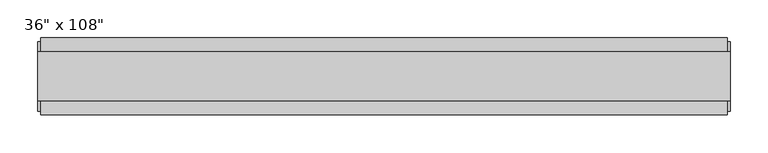
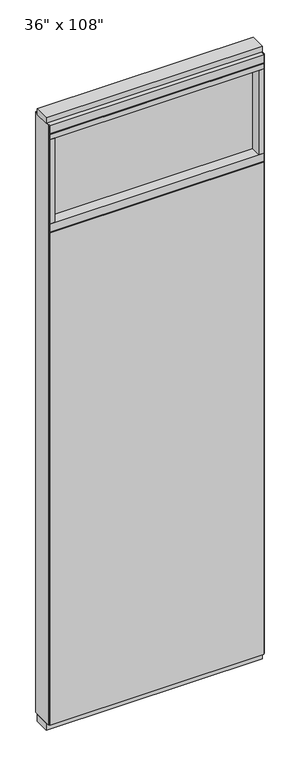
"""IFC4 building model written with IfcOpenShell, lengths in millimetres: furniture geometry."""

import ifcopenshell
import ifcopenshell.guid

model = None  # the IFC model being written
_history = None  # IfcOwnerHistory: only IFC2X3 demands one
_inside = {}  # id of a spatial element -> (the spatial element, [elements in it])
_under = {}  # id of a project, library or spatial element -> (it, [spatial elements below it])
_declared = {}  # id of a project -> (the project, [libraries it declares])
_typed = {}  # id of a type object -> (the type object, [elements of that type])
_made_of = {}  # id of a material, layer set ... -> (it, [elements and type objects made of it])


def new_model(schema):
    """Start an empty IFC model of exactly this schema.

    Asked for "IFC4X3", IfcOpenShell would pick the latest addendum, in which some entities
    have other attributes; the version numbers below select the first issue.
    IFC2X3 requires an IfcOwnerHistory on every rooted entity: one is made here for all.
    """
    global model, _history
    if schema == "IFC4X3":
        model = ifcopenshell.file(schema_version=(4, 3, 0, 0))
    else:
        model = ifcopenshell.file(schema=schema)
    _inside.clear()
    _under.clear()
    _declared.clear()
    _typed.clear()
    _made_of.clear()
    _history = None
    if model.schema == "IFC2X3":
        org = make("IfcOrganization", Name="unknown")
        user = make(
            "IfcPersonAndOrganization",
            ThePerson=make("IfcPerson", FamilyName="unknown"),
            TheOrganization=org,
        )
        app = make(
            "IfcApplication",
            ApplicationDeveloper=org,
            Version="unknown",
            ApplicationFullName="unknown",
            ApplicationIdentifier="unknown",
        )
        _history = make(
            "IfcOwnerHistory",
            OwningUser=user,
            OwningApplication=app,
            ChangeAction="ADDED",
            CreationDate=0,
        )
    return model


def make(cls, **values):
    """One entity of the class cls with the attributes given. An attribute that is None is left unset."""
    return model.create_entity(
        cls, **{name: value for name, value in values.items() if value is not None}
    )


def rooted(cls, **values):
    """An entity with a GlobalId (a new one), such as an element, a storey or a relation."""
    return make(cls, GlobalId=ifcopenshell.guid.new(), OwnerHistory=_history, **values)


def si_unit(unit_type, name, prefix=None):
    """IfcSIUnit, for example si_unit("LENGTHUNIT", "METRE", prefix="MILLI")."""
    return make("IfcSIUnit", UnitType=unit_type, Prefix=prefix, Name=name)


def assignment(units):
    """IfcUnitAssignment: the units of a project."""
    return None if units is None else make("IfcUnitAssignment", Units=units)


def point(xyz):
    """IfcCartesianPoint."""
    return None if xyz is None else make("IfcCartesianPoint", Coordinates=xyz)


def direction(xyz):
    """IfcDirection."""
    return None if xyz is None else make("IfcDirection", DirectionRatios=xyz)


def frame(location, z_axis=None, x_axis=None):
    """IfcAxis2Placement3D, a coordinate frame: its origin and axes. An axis left out is left unset."""
    return make(
        "IfcAxis2Placement3D",
        Location=point(location),
        Axis=direction(z_axis),
        RefDirection=direction(x_axis),
    )


def origin():
    """The frame at (0, 0, 0) with its axes left unset."""
    return frame((0.0, 0.0, 0.0))


def origin_with_axes():
    """The frame at (0, 0, 0) with the z axis (0, 0, 1) and the x axis (1, 0, 0) written out."""
    return frame((0.0, 0.0, 0.0), z_axis=(0.0, 0.0, 1.0), x_axis=(1.0, 0.0, 0.0))


def place(relative_to, where):
    """IfcLocalPlacement: puts the frame where relative to a parent placement (None: the world)."""
    return make(
        "IfcLocalPlacement", PlacementRelTo=relative_to, RelativePlacement=where
    )


def context(
    kind, dimensions, precision=None, world=None, true_north=None, identifier=None
):
    """IfcGeometricRepresentationContext, for example the 3D "Model" context."""
    return make(
        "IfcGeometricRepresentationContext",
        ContextIdentifier=identifier,
        ContextType=kind,
        CoordinateSpaceDimension=dimensions,
        Precision=precision,
        WorldCoordinateSystem=world,
        TrueNorth=true_north,
    )


def project(units=None, contexts=None):
    """IfcProject with its units and contexts."""
    return rooted(
        "IfcProject",
        Name="project",
        RepresentationContexts=contexts,
        UnitsInContext=assignment(units),
    )


def spatial(cls, under=None, at=None, **own):
    """A site, building, storey or space (cls), placed at a placement, below another one or the project."""
    s = rooted(cls, ObjectPlacement=at, **own)
    if under is not None:
        _under.setdefault(under.id(), (under, []))[1].append(s)
    return s


def polyline(points):
    """IfcPolyline through the points."""
    return make("IfcPolyline", Points=[point(p) for p in points])


def outline(outer, holes=None, kind="AREA"):
    """IfcArbitraryClosedProfileDef: a profile drawn as a closed curve; with holes, ...WithVoids."""
    if holes is None:
        return make("IfcArbitraryClosedProfileDef", ProfileType=kind, OuterCurve=outer)
    return make(
        "IfcArbitraryProfileDefWithVoids",
        ProfileType=kind,
        OuterCurve=outer,
        InnerCurves=holes,
    )


def extrude(swept, where, along, depth):
    """IfcExtrudedAreaSolid: the profile swept, set in the frame where, extruded along a direction by depth."""
    return make(
        "IfcExtrudedAreaSolid",
        SweptArea=swept,
        Position=where,
        ExtrudedDirection=direction(along),
        Depth=depth,
    )


def shape(context_of_items, identifier, shape_type, items):
    """IfcShapeRepresentation: the items that make up one representation, for example the "Body"."""
    return make(
        "IfcShapeRepresentation",
        ContextOfItems=context_of_items,
        RepresentationIdentifier=identifier,
        RepresentationType=shape_type,
        Items=items,
    )


def source(mapping_origin, context_of_items, identifier, shape_type, items):
    """IfcRepresentationMap: a shape defined once, which mapped items show again and again."""
    return make(
        "IfcRepresentationMap",
        MappingOrigin=mapping_origin,
        MappedRepresentation=shape(context_of_items, identifier, shape_type, items),
    )


def transform(
    local_origin,
    x_axis=None,
    y_axis=None,
    z_axis=None,
    scale=None,
    scale2=None,
    scale3=None,
    uniform=True,
):
    """IfcCartesianTransformationOperator3D, or its non-uniform kind. x_axis, y_axis, z_axis: its Axis1, 2, 3."""
    if uniform:
        return make(
            "IfcCartesianTransformationOperator3D",
            Axis1=direction(x_axis),
            Axis2=direction(y_axis),
            LocalOrigin=point(local_origin),
            Scale=scale,
            Axis3=direction(z_axis),
        )
    return make(
        "IfcCartesianTransformationOperator3DnonUniform",
        Axis1=direction(x_axis),
        Axis2=direction(y_axis),
        LocalOrigin=point(local_origin),
        Scale=scale,
        Axis3=direction(z_axis),
        Scale2=scale2,
        Scale3=scale3,
    )


def mapped(mapping_source, mapping_target):
    """IfcMappedItem: shows the shape of a source again, moved by a transform."""
    return make(
        "IfcMappedItem", MappingSource=mapping_source, MappingTarget=mapping_target
    )


def made_of(thing, what):
    """Note that an element or type object is made of a material, layer set ...; save() writes the relation."""
    if what is not None:
        _made_of.setdefault(what.id(), (what, []))[1].append(thing)
    return thing


def element(
    cls,
    number,
    at=None,
    inside=None,
    cuts=None,
    type_object=None,
    material=None,
    context=None,
    identifier="Body",
    shape_type=None,
    held_by="IfcProductDefinitionShape",
    body=None,
    shapes=None,
    **own,
):
    """One element of the class cls, such as IfcWall. Its Tag is "e" and its number.

    at: its placement. inside: the storey or other place that contains it. cuts: it is an
    opening in that element (IfcRelVoidsElement). A single representation is given by context,
    identifier, shape_type and body (its items); several are given by shapes. held_by: the class
    of the entity that holds the representations. save() writes the other relations.
    """
    e = rooted(cls, Tag="e%d" % number, ObjectPlacement=at, **own)
    if body is not None:
        shapes = [shape(context, identifier, shape_type, body)]
    if shapes is not None:
        e.Representation = make(held_by, Representations=shapes)
    if inside is not None:
        _inside.setdefault(inside.id(), (inside, []))[1].append(e)
    if cuts is not None:
        rooted(
            "IfcRelVoidsElement", RelatingBuildingElement=cuts, RelatedOpeningElement=e
        )
    if type_object is not None:
        _typed.setdefault(type_object.id(), (type_object, []))[1].append(e)
    return made_of(e, material)


def aggregate(whole, parts):
    """IfcRelAggregates: a whole, such as a stair, and the parts it consists of."""
    return rooted("IfcRelAggregates", RelatingObject=whole, RelatedObjects=parts)


def save(model, path):
    """Write the relations noted so far, then the file.

    IfcRelAggregates (storeys below a building ...), IfcRelContainedInSpatialStructure (elements
    in a storey), IfcRelDefinesByType, IfcRelAssociatesMaterial and IfcRelDeclares: one each for
    every whole, place, type object, material and project.
    """
    for whole, parts in _under.values():
        aggregate(whole, parts)
    for where, things in _inside.values():
        rooted(
            "IfcRelContainedInSpatialStructure",
            RelatedElements=things,
            RelatingStructure=where,
        )
    for kind, things in _typed.values():
        rooted("IfcRelDefinesByType", RelatedObjects=things, RelatingType=kind)
    for what, things in _made_of.values():
        rooted("IfcRelAssociatesMaterial", RelatedObjects=things, RelatingMaterial=what)
    for by, libraries in _declared.values():
        rooted("IfcRelDeclares", RelatingContext=by, RelatedDefinitions=libraries)
    model.write(path)


def furniture_3e3d7bb3(model_context):
    return source(origin(), model_context, "Body", "SweptSolid", [
        extrude(outline(polyline([(393.2264771, 46.2822784), (393.2264771, 33.5822784), (-513.2995229, 33.5822784), (-513.2995229, 46.2822784), (393.2264771, 46.2822784)])), frame((0.0, 0.0, 31.75), z_axis=(0.0, 0.0, 1.0), x_axis=(1.0, 0.0, 0.0)), (0.0, 0.0, 1.0), 2203.45),
        extrude(outline(polyline([(393.2264771, -55.3177216), (-513.2995229, -55.3177216), (-513.2995229, -42.6177216), (393.2264771, -42.6177216), (393.2264771, -55.3177216)])), frame((0.0, 0.0, 31.75), z_axis=(0.0, 0.0, 1.0), x_axis=(1.0, 0.0, 0.0)), (0.0, 0.0, 1.0), 2203.45),
        extrude(outline(polyline([(371.0014771, -9.5977216), (-491.0745229, -9.5977216), (-491.0745229, 0.5622784), (371.0014771, 0.5622784), (371.0014771, -9.5977216)])), frame((0.0, 0.0, 2276.475), z_axis=(0.0, 0.0, 1.0), x_axis=(1.0, 0.0, 0.0)), (0.0, 0.0, 1.0), 377.825),
        extrude(outline(polyline([(371.0014771, -55.3177216), (371.0014771, 46.2822784), (393.2264771, 46.2822784), (393.2264771, -55.3177216), (371.0014771, -55.3177216)])), frame((0.0, 0.0, 2276.475), z_axis=(0.0, 0.0, 1.0), x_axis=(1.0, 0.0, 0.0)), (0.0, 0.0, 1.0), 377.825),
        extrude(outline(polyline([(-55.3177216, 2240.153), (-55.3177216, 2276.475), (46.2822784, 2276.475), (46.2822784, 2240.153), (41.3292784, 2240.153), (41.3292784, 2235.2), (-50.3647216, 2235.2), (-50.3647216, 2240.153), (-55.3177216, 2240.153)])), frame((-513.2995229, 0.0, 0.0), z_axis=(1.0, 0.0, 0.0), x_axis=(0.0, 1.0, 0.0)), (0.0, 0.0, 1.0), 906.526),
        extrude(outline(polyline([(-491.0745229, -55.3177216), (-513.2995229, -55.3177216), (-513.2995229, 46.2822784), (-491.0745229, 46.2822784), (-491.0745229, -55.3177216)])), frame((0.0, 0.0, 2276.475), z_axis=(0.0, 0.0, 1.0), x_axis=(1.0, 0.0, 0.0)), (0.0, 0.0, 1.0), 377.825),
        extrude(outline(polyline([(397.1634771, 27.9942784), (397.1634771, -37.0297216), (-517.2365229, -37.0297216), (-517.2365229, 27.9942784), (397.1634771, 27.9942784)])), origin_with_axes(), (0.0, 0.0, 1.0), 31.75),
        extrude(outline(polyline([(-517.2365229, -37.0297216), (-517.2365229, 27.9942784), (397.1634771, 27.9942784), (397.1634771, -37.0297216), (-517.2365229, -37.0297216)])), frame((0.0, 0.0, 2717.8), z_axis=(0.0, 0.0, 1.0), x_axis=(1.0, 0.0, 0.0)), (0.0, 0.0, 1.0), 25.4),
        extrude(outline(polyline([(-55.3177216, 2681.478), (-55.3177216, 2717.8), (46.2822784, 2717.8), (46.2822784, 2681.478), (41.3292784, 2681.478), (41.3292784, 2676.525), (-50.3647216, 2676.525), (-50.3647216, 2681.478), (-55.3177216, 2681.478)])), frame((-513.2995229, 0.0, 0.0), z_axis=(1.0, 0.0, 0.0), x_axis=(0.0, 1.0, 0.0)), (0.0, 0.0, 1.0), 906.526),
        extrude(outline(polyline([(393.2264771, 46.2822784), (393.2264771, -55.3177216), (-513.2995229, -55.3177216), (-513.2995229, 46.2822784), (393.2264771, 46.2822784)])), frame((0.0, 0.0, 2654.3), z_axis=(0.0, 0.0, 1.0), x_axis=(1.0, 0.0, 0.0)), (0.0, 0.0, 1.0), 22.225),
        extrude(outline(polyline([(397.1634771, -50.3647216), (393.2264771, -50.3647216), (393.2264771, 41.3292784), (397.1634771, 41.3292784), (397.1634771, -50.3647216)])), frame((0.0, 0.0, 31.75), z_axis=(0.0, 0.0, 1.0), x_axis=(1.0, 0.0, 0.0)), (0.0, 0.0, 1.0), 2686.05),
        extrude(outline(polyline([(-517.2365229, -50.3647216), (-517.2365229, 41.3292784), (-513.2995229, 41.3292784), (-513.2995229, -50.3647216), (-517.2365229, -50.3647216)])), frame((0.0, 0.0, 31.75), z_axis=(0.0, 0.0, 1.0), x_axis=(1.0, 0.0, 0.0)), (0.0, 0.0, 1.0), 2686.05),
    ])


if __name__ == "__main__":
    model = new_model("IFC4")
    model_context = context("Model", 3, world=origin())
    ifc_project = project(units=[si_unit("LENGTHUNIT", "METRE", prefix="MILLI")], contexts=[model_context])
    site = spatial("IfcSite", under=ifc_project)
    building = spatial("IfcBuilding", under=site)
    placement = place(None, origin())
    furniture_shape = furniture_3e3d7bb3(model_context)
    element("IfcFurniture", 1, ObjectType="36\" x 108\"", at=placement, inside=building, context=model_context, shape_type="MappedRepresentation", body=[
        mapped(furniture_shape, transform((0.0, 0.0, 0.0), x_axis=(1.0, 0.0, 0.0), y_axis=(0.0, 1.0, 0.0), z_axis=(0.0, 0.0, 1.0))),
    ])
    save(model, "model.ifc")
